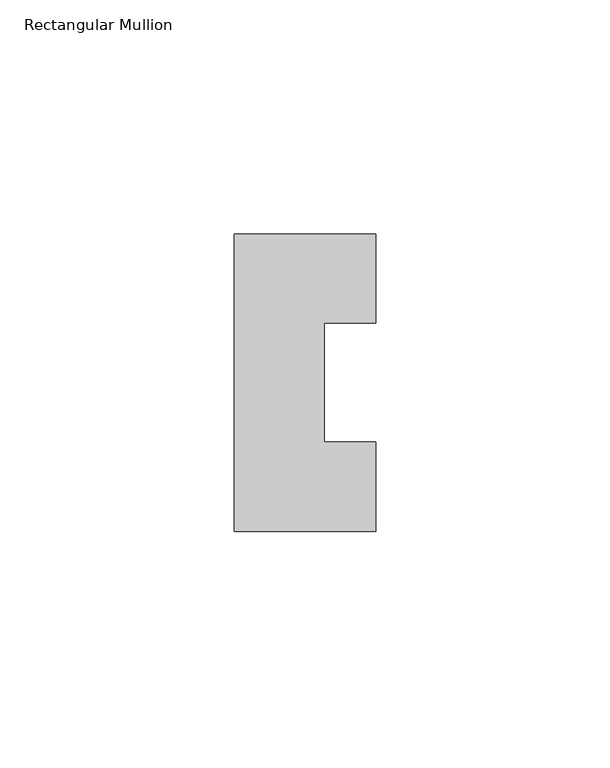
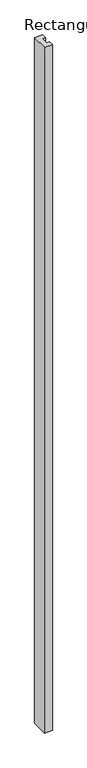
"""IFC4 building model written with IfcOpenShell, lengths in millimetres: member geometry, Rectangular Mullion."""

from ifc_helpers import new_model, si_unit, frame, origin, place, context, project, spatial, polyline, outline, extrude, source, transform, mapped, element, save


def rectangular_mullion_fa2dafd2(model_context):
    return source(origin(), model_context, "Body", "SweptSolid", [
        extrude(outline(polyline([(-15.1003, 31.7489583), (15.1003, 31.7489583), (15.1003, 12.7), (4.1378312, 12.7), (4.1378312, -12.7), (15.1003, -12.7), (15.1003, -31.7489583), (-15.1003, -31.7489583), (-15.1003, 31.7489583)])), frame((0.0, 0.0, -2743.2), z_axis=(0.0, 0.0, 1.0), x_axis=(1.0, 0.0, 0.0)), (0.0, 0.0, 1.0), 2743.2),
    ])


if __name__ == "__main__":
    model = new_model("IFC4")
    model_context = context("Model", 3, world=origin())
    ifc_project = project(units=[si_unit("LENGTHUNIT", "METRE", prefix="MILLI")], contexts=[model_context])
    site = spatial("IfcSite", under=ifc_project)
    building = spatial("IfcBuilding", under=site)
    placement = place(None, origin())
    rectangular_mullion_shape = rectangular_mullion_fa2dafd2(model_context)
    element("IfcMember", 1, ObjectType="Rectangular Mullion", at=placement, inside=building, context=model_context, shape_type="MappedRepresentation", body=[
        mapped(rectangular_mullion_shape, transform((0.0, 0.0, 0.0), x_axis=(1.0, 0.0, 0.0), y_axis=(0.0, 1.0, 0.0), z_axis=(0.0, 0.0, 1.0))),
    ])
    save(model, "model.ifc")
